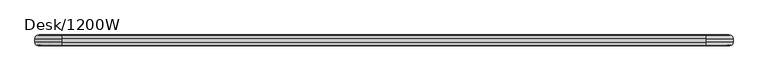
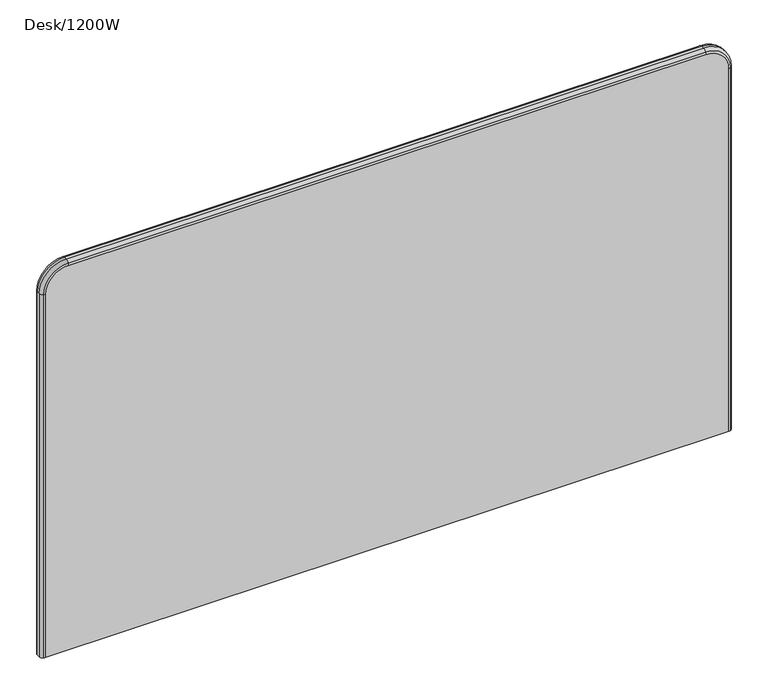
"""IFC4 building model written with IfcOpenShell, lengths in millimetres: furniture geometry, Desk/1200W."""

from ifc_helpers import new_model, si_unit, point, frame, origin, place, context, project, spatial, circle_curve, ellipse_curve, trimmed, source, transform, mapped, element, save
from ifc_brep_helpers import plane_surface, cylinder_surface, revolved_surface, advanced_brep


def desk_1200w_1e0e06ef(model_context):
    return source(origin(), model_context, "Body", "AdvancedBrep", [
        advanced_brep(
        [(-562.6042926, -9.0, 346.0), (-555.0, -9.0, 346.0), (555.0, -9.0, 346.0), (562.6042926, -9.0, 346.0), (562.6042926, -9.0, 979.0), (525.0, -9.0, 1016.6042926), (-525.0, -9.0, 1016.6042926), (-562.6042926, -9.0, 979.0), (-555.0, 9.0, 346.0), (-562.6042926, 9.0, 346.0), (-562.6042926, 9.0, 979.0), (-525.0, 9.0, 1016.6042926), (525.0, 9.0, 1016.6042926), (562.6042926, 9.0, 979.0), (562.6042926, 9.0, 346.0), (555.0, 9.0, 346.0), (-525.0, -2.6499901, 1024.0), (525.0, -2.6499901, 1024.0), (525.0, 2.6499901, 1024.0), (-525.0, 2.6499901, 1024.0), (-570.0, 2.6499901, 346.0), (-570.0, -2.6499901, 346.0), (-570.0, -2.6499901, 979.0), (-570.0, 2.6499901, 979.0), (-566.4647118, -8.1203827, 346.0), (-566.4647118, 8.1203827, 346.0), (566.4647118, 8.1203827, 346.0), (570.0, 2.6499901, 346.0), (570.0, -2.6499901, 346.0), (566.4647118, -8.1203827, 346.0), (570.0, 2.6499901, 979.0), (570.0, -2.6499901, 979.0), (-566.4647118, -8.1203827, 979.0), (-566.4647118, 8.1203827, 979.0), (-525.0, -8.1203827, 1020.4647118), (525.0, -8.1203827, 1020.4647118), (-525.0, 8.1203827, 1020.4647118), (525.0, 8.1203827, 1020.4647118), (566.4647118, -8.1203827, 979.0), (566.4647118, 8.1203827, 979.0)],
        [
            (0, 1),
            (1, 2),
            (2, 3),
            (3, 4),
            (4, 5, circle_curve(frame((525.0, -9.0, 979.0), z_axis=(0.0, -1.0, 0.0), x_axis=(0.0, 0.0, 1.0)), 37.6042926)),
            (5, 6),
            (6, 7, circle_curve(frame((-525.0, -9.0, 979.0), z_axis=(0.0, -1.0, 0.0), x_axis=(-1.0, 0.0, 0.0)), 37.6042926)),
            (7, 0),
            (8, 9),
            (9, 10),
            (10, 11, circle_curve(frame((-525.0, 9.0, 979.0), z_axis=(0.0, 1.0, 0.0), x_axis=(-1.0, 0.0, 0.0)), 37.6042926)),
            (11, 12),
            (12, 13, circle_curve(frame((525.0, 9.0, 979.0), z_axis=(0.0, 1.0, 0.0), x_axis=(0.0, 0.0, 1.0)), 37.6042926)),
            (13, 14),
            (14, 15),
            (15, 8),
            (16, 17),
            (17, 18),
            (18, 19),
            (19, 16),
            (20, 21),
            (21, 22),
            (22, 23),
            (23, 20),
            (0, 24, circle_curve(frame((-562.3568588, 0.9969384, 346.0), z_axis=(0.0, 0.0, -1.0), x_axis=(-1.0, 0.0, 0.0)), 10.0)),
            (24, 21, circle_curve(frame((-564.0, -2.6499901, 346.0), z_axis=(0.0, 0.0, -1.0), x_axis=(-1.0, 0.0, 0.0)), 6.0)),
            (20, 25, circle_curve(frame((-564.0, 2.6499901, 346.0), z_axis=(0.0, 0.0, -1.0), x_axis=(-1.0, 0.0, 0.0)), 6.0)),
            (25, 9, circle_curve(frame((-562.3568588, -0.9969384, 346.0), z_axis=(0.0, 0.0, -1.0), x_axis=(-1.0, 0.0, 0.0)), 10.0)),
            (14, 26, circle_curve(frame((562.3568588, -0.9969384, 346.0), z_axis=(0.0, 0.0, -1.0), x_axis=(1.0, 0.0, 0.0)), 10.0)),
            (26, 27, circle_curve(frame((564.0, 2.6499901, 346.0), z_axis=(0.0, 0.0, -1.0), x_axis=(1.0, 0.0, 0.0)), 6.0)),
            (27, 28),
            (28, 29, circle_curve(frame((564.0, -2.6499901, 346.0), z_axis=(0.0, 0.0, -1.0), x_axis=(1.0, 0.0, 0.0)), 6.0)),
            (29, 3, circle_curve(frame((562.3568588, 0.9969384, 346.0), z_axis=(0.0, 0.0, -1.0), x_axis=(1.0, 0.0, 0.0)), 10.0)),
            (27, 30),
            (30, 31),
            (31, 28),
            (24, 32),
            (32, 22, circle_curve(frame((-564.0, -2.6499901, 979.0), z_axis=(0.0, 0.0, -1.0), x_axis=(-1.0, 0.0, 0.0)), 6.0)),
            (7, 32, circle_curve(frame((-562.3568588, 0.9969384, 979.0), z_axis=(0.0, 0.0, -1.0), x_axis=(-1.0, 0.0, 0.0)), 10.0)),
            (25, 33),
            (33, 10, circle_curve(frame((-562.3568588, -0.9969384, 979.0), z_axis=(0.0, 0.0, -1.0), x_axis=(-1.0, 0.0, 0.0)), 10.0)),
            (23, 33, circle_curve(frame((-564.0, 2.6499901, 979.0), z_axis=(0.0, 0.0, -1.0), x_axis=(-1.0, 0.0, 0.0)), 6.0)),
            (34, 35),
            (35, 17, circle_curve(frame((525.0, -2.6499901, 1018.0), z_axis=(-1.0, 0.0, 0.0), x_axis=(0.0, 0.0, 1.0)), 6.0)),
            (16, 34, circle_curve(frame((-525.0, -2.6499901, 1018.0), z_axis=(1.0, 0.0, 0.0), x_axis=(0.0, 0.0, 1.0)), 6.0)),
            (34, 6, circle_curve(frame((-525.0, 0.9969384, 1016.3568588), z_axis=(1.0, 0.0, 0.0), x_axis=(0.0, 0.0, 1.0)), 10.0)),
            (5, 35, circle_curve(frame((525.0, 0.9969384, 1016.3568588), z_axis=(-1.0, 0.0, 0.0), x_axis=(0.0, 0.0, 1.0)), 10.0)),
            (36, 37),
            (37, 12, circle_curve(frame((525.0, -0.9969384, 1016.3568588), z_axis=(-1.0, 0.0, 0.0), x_axis=(0.0, 0.0, 1.0)), 10.0)),
            (11, 36, circle_curve(frame((-525.0, -0.9969384, 1016.3568588), z_axis=(1.0, 0.0, 0.0), x_axis=(0.0, 0.0, 1.0)), 10.0)),
            (36, 19, circle_curve(frame((-525.0, 2.6499901, 1018.0), z_axis=(1.0, 0.0, 0.0), x_axis=(0.0, 0.0, 1.0)), 6.0)),
            (18, 37, circle_curve(frame((525.0, 2.6499901, 1018.0), z_axis=(-1.0, 0.0, 0.0), x_axis=(0.0, 0.0, 1.0)), 6.0)),
            (38, 29),
            (31, 38, circle_curve(frame((564.0, -2.6499901, 979.0), z_axis=(0.0, 0.0, -1.0), x_axis=(1.0, 0.0, 0.0)), 6.0)),
            (38, 4, circle_curve(frame((562.3568588, 0.9969384, 979.0), z_axis=(0.0, 0.0, -1.0), x_axis=(1.0, 0.0, 0.0)), 10.0)),
            (39, 26),
            (13, 39, circle_curve(frame((562.3568588, -0.9969384, 979.0), z_axis=(0.0, 0.0, -1.0), x_axis=(1.0, 0.0, 0.0)), 10.0)),
            (39, 30, circle_curve(frame((564.0, 2.6499901, 979.0), z_axis=(0.0, 0.0, -1.0), x_axis=(1.0, 0.0, 0.0)), 6.0)),
            (32, 34, circle_curve(frame((-525.0, -8.1203827, 979.0), z_axis=(0.0, 1.0, 0.0), x_axis=(-1.0, 0.0, 0.0)), 41.4647118)),
            (16, 22, circle_curve(frame((-525.0, -2.6499901, 979.0), z_axis=(0.0, -1.0, 0.0), x_axis=(-1.0, 0.0, 0.0)), 45.0)),
            (33, 36, circle_curve(frame((-525.0, 8.1203827, 979.0), z_axis=(0.0, 1.0, 0.0), x_axis=(-1.0, 0.0, 0.0)), 41.4647118)),
            (23, 19, circle_curve(frame((-525.0, 2.6499901, 979.0), z_axis=(0.0, 1.0, 0.0), x_axis=(-1.0, 0.0, 0.0)), 45.0)),
            (35, 38, circle_curve(frame((525.0, -8.1203827, 979.0), z_axis=(0.0, 1.0, 0.0), x_axis=(0.0, 0.0, 1.0)), 41.4647118)),
            (31, 17, circle_curve(frame((525.0, -2.6499901, 979.0), z_axis=(0.0, -1.0, 0.0), x_axis=(0.0, 0.0, 1.0)), 45.0)),
            (37, 39, circle_curve(frame((525.0, 8.1203827, 979.0), z_axis=(0.0, 1.0, 0.0), x_axis=(0.0, 0.0, 1.0)), 41.4647118)),
            (18, 30, circle_curve(frame((525.0, 2.6499901, 979.0), z_axis=(0.0, 1.0, 0.0), x_axis=(0.0, 0.0, 1.0)), 45.0)),
        ],
        [
            plane_surface(frame((-540.0, -9.0, 1024.0), z_axis=(0.0, -1.0, 0.0), x_axis=(-1.0, 0.0, 0.0))),
            plane_surface(frame((-540.0, 9.0, 1024.0), z_axis=(0.0, 1.0, 0.0), x_axis=(1.0, 0.0, 0.0))),
            plane_surface(frame((540.0, -9.0, 1024.0), z_axis=(0.0, 0.0, 1.0), x_axis=(0.0, 1.0, 0.0))),
            plane_surface(frame((-570.0, -9.0, 994.0), z_axis=(-1.0, 0.0, 0.0), x_axis=(0.0, 1.0, 0.0))),
            plane_surface(frame((-570.0, -9.0, 346.0), z_axis=(0.0, 0.0, -1.0), x_axis=(0.0, 1.0, 0.0))),
            plane_surface(frame((570.0, -9.0, 346.0), z_axis=(1.0, 0.0, 0.0), x_axis=(0.0, 1.0, 0.0))),
            cylinder_surface(frame((-564.0, -2.6499901, 346.0), z_axis=(0.0, 0.0, 1.0), x_axis=(-1.0, 0.0, 0.0)), 6.0),
            cylinder_surface(frame((-562.3568588, 0.9969384, 346.0), z_axis=(0.0, 0.0, 1.0), x_axis=(-1.0, 0.0, 0.0)), 10.0),
            cylinder_surface(frame((-562.3568588, -0.9969384, 346.0), z_axis=(0.0, 0.0, 1.0), x_axis=(-1.0, 0.0, 0.0)), 10.0),
            cylinder_surface(frame((-564.0, 2.6499901, 346.0), z_axis=(0.0, 0.0, 1.0), x_axis=(-1.0, 0.0, 0.0)), 6.0),
            cylinder_surface(frame((-525.0, -2.6499901, 1018.0), z_axis=(1.0, 0.0, 0.0), x_axis=(0.0, 0.0, 1.0)), 6.0),
            cylinder_surface(frame((-525.0, 0.9969384, 1016.3568588), z_axis=(1.0, 0.0, 0.0), x_axis=(0.0, 0.0, 1.0)), 10.0),
            cylinder_surface(frame((-525.0, -0.9969384, 1016.3568588), z_axis=(1.0, 0.0, 0.0), x_axis=(0.0, 0.0, 1.0)), 10.0),
            cylinder_surface(frame((-525.0, 2.6499901, 1018.0), z_axis=(1.0, 0.0, 0.0), x_axis=(0.0, 0.0, 1.0)), 6.0),
            cylinder_surface(frame((564.0, -2.6499901, 979.0), z_axis=(0.0, 0.0, -1.0), x_axis=(1.0, 0.0, 0.0)), 6.0),
            cylinder_surface(frame((562.3568588, 0.9969384, 979.0), z_axis=(0.0, 0.0, -1.0), x_axis=(1.0, 0.0, 0.0)), 10.0),
            cylinder_surface(frame((562.3568588, -0.9969384, 979.0), z_axis=(0.0, 0.0, -1.0), x_axis=(1.0, 0.0, 0.0)), 10.0),
            cylinder_surface(frame((564.0, 2.6499901, 979.0), z_axis=(0.0, 0.0, -1.0), x_axis=(1.0, 0.0, 0.0)), 6.0),
            revolved_surface(trimmed(ellipse_curve(frame((-564.0, -2.6499901, 979.0), z_axis=(0.0, 0.0, -1.0), x_axis=(-1.0, 0.0, 0.0)), 6.0, 6.0), [point((-566.4647118, -8.1203827, 979.0))], [point((-570.0, -2.6499901, 979.0))], True, "CARTESIAN"), (-525.0, 0.0, 979.0), (0.0, 1.0, 0.0)),
            revolved_surface(trimmed(ellipse_curve(frame((-562.3568588, 0.9969384, 979.0), z_axis=(0.0, 0.0, -1.0), x_axis=(-1.0, 0.0, 0.0)), 10.0, 10.0), [point((-562.6042926, -9.0, 979.0))], [point((-566.4647118, -8.1203827, 979.0))], True, "CARTESIAN"), (-525.0, 0.0, 979.0), (0.0, 1.0, 0.0)),
            revolved_surface(trimmed(ellipse_curve(frame((-562.3568588, -0.9969384, 979.0), z_axis=(0.0, 0.0, -1.0), x_axis=(-1.0, 0.0, 0.0)), 10.0, 10.0), [point((-566.4647118, 8.1203827, 979.0))], [point((-562.6042926, 9.0, 979.0))], True, "CARTESIAN"), (-525.0, 0.0, 979.0), (0.0, 1.0, 0.0)),
            revolved_surface(trimmed(ellipse_curve(frame((-564.0, 2.6499901, 979.0), z_axis=(0.0, 0.0, -1.0), x_axis=(-1.0, 0.0, 0.0)), 6.0, 6.0), [point((-570.0, 2.6499901, 979.0))], [point((-566.4647118, 8.1203827, 979.0))], True, "CARTESIAN"), (-525.0, 0.0, 979.0), (0.0, 1.0, 0.0)),
            cylinder_surface(frame((-525.0, 0.0, 979.0), z_axis=(0.0, 1.0, 0.0), x_axis=(-1.0, 0.0, 0.0)), 45.0),
            revolved_surface(trimmed(ellipse_curve(frame((525.0, -2.6499901, 1018.0), z_axis=(-1.0, 0.0, 0.0), x_axis=(0.0, 0.0, 1.0)), 6.0, 6.0), [point((525.0, -8.1203827, 1020.4647118))], [point((525.0, -2.6499901, 1024.0))], True, "CARTESIAN"), (525.0, 0.0, 979.0), (0.0, 1.0, 0.0)),
            revolved_surface(trimmed(ellipse_curve(frame((525.0, 0.9969384, 1016.3568588), z_axis=(-1.0, 0.0, 0.0), x_axis=(0.0, 0.0, 1.0)), 10.0, 10.0), [point((525.0, -9.0, 1016.6042926))], [point((525.0, -8.1203827, 1020.4647118))], True, "CARTESIAN"), (525.0, 0.0, 979.0), (0.0, 1.0, 0.0)),
            revolved_surface(trimmed(ellipse_curve(frame((525.0, -0.9969384, 1016.3568588), z_axis=(-1.0, 0.0, 0.0), x_axis=(0.0, 0.0, 1.0)), 10.0, 10.0), [point((525.0, 8.1203827, 1020.4647118))], [point((525.0, 9.0, 1016.6042926))], True, "CARTESIAN"), (525.0, 0.0, 979.0), (0.0, 1.0, 0.0)),
            revolved_surface(trimmed(ellipse_curve(frame((525.0, 2.6499901, 1018.0), z_axis=(-1.0, 0.0, 0.0), x_axis=(0.0, 0.0, 1.0)), 6.0, 6.0), [point((525.0, 2.6499901, 1024.0))], [point((525.0, 8.1203827, 1020.4647118))], True, "CARTESIAN"), (525.0, 0.0, 979.0), (0.0, 1.0, 0.0)),
            cylinder_surface(frame((525.0, 0.0, 979.0), z_axis=(0.0, 1.0, 0.0), x_axis=(0.0, 0.0, 1.0)), 45.0),
        ],
        [
            (0, [[1, 2, 3, 4, 5, 6, 7, 8]]),
            (1, [[9, 10, 11, 12, 13, 14, 15, 16]]),
            (2, [[17, 18, 19, 20]]),
            (3, [[21, 22, 23, 24]]),
            (4, [[-1, 25, 26, -21, 27, 28, -9, -16, -15, 29, 30, 31, 32, 33, -3, -2]]),
            (5, [[-31, 34, 35, 36]]),
            (6, [[37, 38, -22, -26]]),
            (7, [[-37, -25, -8, 39]]),
            (8, [[40, 41, -10, -28]]),
            (9, [[-40, -27, -24, 42]]),
            (10, [[43, 44, -17, 45]]),
            (11, [[-43, 46, -6, 47]]),
            (12, [[48, 49, -12, 50]]),
            (13, [[-48, 51, -19, 52]]),
            (14, [[53, -32, -36, 54]]),
            (15, [[-53, 55, -4, -33]]),
            (16, [[56, -29, -14, 57]]),
            (17, [[-56, 58, -34, -30]]),
            (18, [[-38, 59, -45, 60]]),
            (19, [[-39, -7, -46, -59]]),
            (20, [[-41, 61, -50, -11]]),
            (21, [[-42, 62, -51, -61]]),
            (22, [[-60, -20, -62, -23]]),
            (23, [[-44, 63, -54, 64]]),
            (24, [[-47, -5, -55, -63]]),
            (25, [[-49, 65, -57, -13]]),
            (26, [[-52, 66, -58, -65]]),
            (27, [[-64, -35, -66, -18]]),
        ],
    ),
    ])


if __name__ == "__main__":
    model = new_model("IFC4")
    model_context = context("Model", 3, world=origin())
    ifc_project = project(units=[si_unit("LENGTHUNIT", "METRE", prefix="MILLI")], contexts=[model_context])
    site = spatial("IfcSite", under=ifc_project)
    building = spatial("IfcBuilding", under=site)
    placement = place(None, origin())
    desk_1200w_shape = desk_1200w_1e0e06ef(model_context)
    element("IfcFurniture", 1, ObjectType="Desk/1200W", at=placement, inside=building, context=model_context, shape_type="MappedRepresentation", body=[
        mapped(desk_1200w_shape, transform((0.0, 0.0, 0.0), x_axis=(1.0, 0.0, 0.0), y_axis=(0.0, 1.0, 0.0), z_axis=(0.0, 0.0, 1.0))),
    ])
    save(model, "model.ifc")
